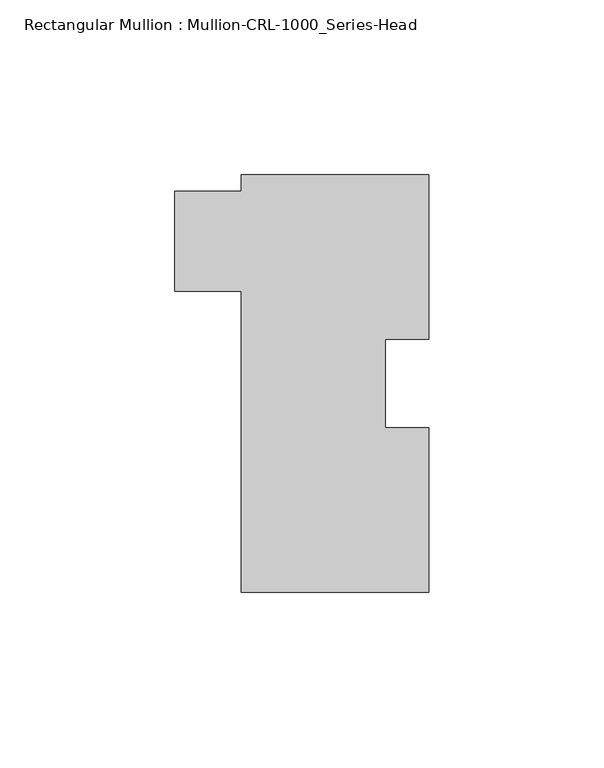
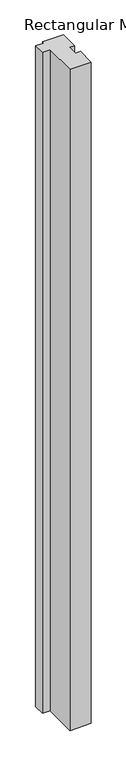
"""IFC4 building model written with IfcOpenShell, lengths in millimetres: member geometry, Rectangular Mullion : Mullion-CRL-1000_Series-Head."""

from ifc_helpers import new_model, si_unit, frame, origin, place, context, project, spatial, polyline, outline, extrude, source, transform, mapped, element, save


def rectangular_mullion_mullion_crl_1000_series_head_148be862(model_context):
    return source(origin(), model_context, "Body", "SweptSolid", [
        extrude(outline(polyline([(-41.0845247, -59.6906795), (-41.0845247, 26.4037895), (-60.1345778, 26.4037895), (-60.1345778, 54.9787895), (-41.0845247, 54.9787895), (-41.0845247, 59.6906795), (12.5094758, 59.6906795), (12.5094758, 12.7), (0.0, 12.7), (0.0, -12.7), (12.5094758, -12.7), (12.5094758, -59.6906795), (-41.0845247, -59.6906795)])), frame((0.0, 0.0, -1752.6), z_axis=(0.0, 0.0, 1.0), x_axis=(1.0, 0.0, 0.0)), (0.0, 0.0, 1.0), 1752.6),
    ])


if __name__ == "__main__":
    model = new_model("IFC4")
    model_context = context("Model", 3, world=origin())
    ifc_project = project(units=[si_unit("LENGTHUNIT", "METRE", prefix="MILLI")], contexts=[model_context])
    site = spatial("IfcSite", under=ifc_project)
    building = spatial("IfcBuilding", under=site)
    placement = place(None, origin())
    rectangular_mullion_mullion_crl_1000_series_head_shape = rectangular_mullion_mullion_crl_1000_series_head_148be862(model_context)
    element("IfcMember", 1, ObjectType="Rectangular Mullion : Mullion-CRL-1000_Series-Head", at=placement, inside=building, context=model_context, shape_type="MappedRepresentation", body=[
        mapped(rectangular_mullion_mullion_crl_1000_series_head_shape, transform((0.0, 0.0, 0.0), x_axis=(1.0, 0.0, 0.0), y_axis=(0.0, 1.0, 0.0), z_axis=(0.0, 0.0, 1.0))),
    ])
    save(model, "model.ifc")
